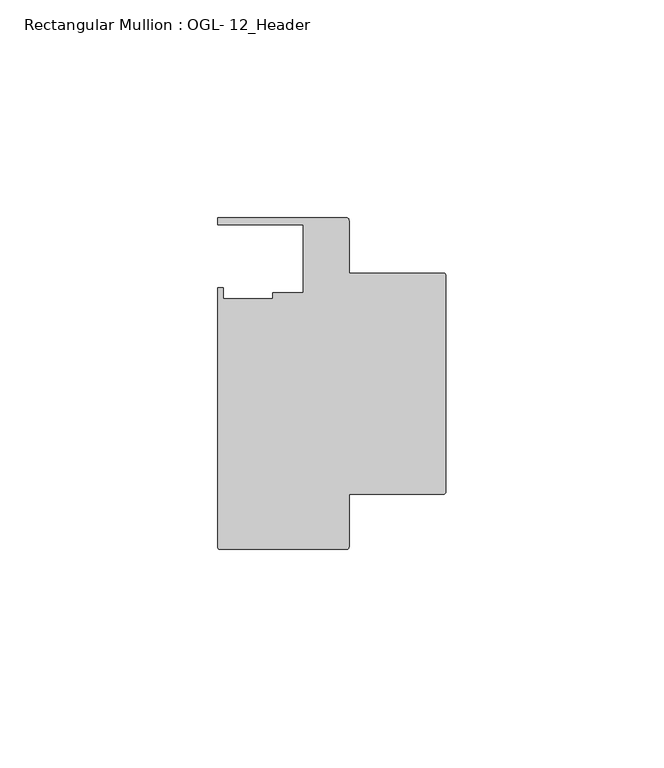
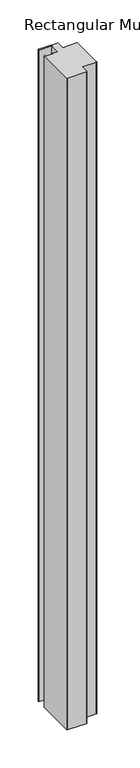
"""IFC4 building model written with IfcOpenShell, lengths in millimetres: member geometry, Rectangular Mullion : OGL- 12_Header."""

from ifc_helpers import new_model, si_unit, point, frame, frame_2d, origin, place, context, project, spatial, polyline, circle_curve, trimmed, segment, composite_curve, outline, extrude, source, transform, mapped, element, save


def rectangular_mullion_ogl_12_header_eac4a193(model_context):
    return source(origin(), model_context, "Body", "SweptSolid", [
        extrude(outline(composite_curve([segment(polyline([(-0.5953125, -25.4), (-22.2332898, -25.4), (-22.2332898, -37.5043667)]), True, "CONTINUOUS"), segment(trimmed(circle_curve(frame_2d((-22.8286023, -37.5043667)), 0.5953125), [point((-22.2332898, -37.5043667))], [point((-22.8286023, -38.0996792))], False, "CARTESIAN"), True, "CONTINUOUS"), segment(polyline([(-22.8286023, -38.0996792), (-51.7968699, -38.0996792)]), True, "CONTINUOUS"), segment(trimmed(circle_curve(frame_2d((-51.7968699, -37.5043667)), 0.5953125), [point((-51.7968699, -38.0996792))], [point((-52.3921824, -37.5043667))], False, "CARTESIAN"), True, "CONTINUOUS"), segment(polyline([(-52.3921824, -37.5043667), (-52.3921824, 21.9710976), (-51.1362531, 21.9710976), (-51.1362531, 19.4824275), (-39.7567771, 19.4824275), (-39.7567771, 20.8257348), (-32.730302, 20.8257348), (-32.730302, 36.512516), (-52.3830881, 36.512516), (-52.3830881, 38.100016), (-22.8763468, 38.100016)]), True, "CONTINUOUS"), segment(trimmed(circle_curve(frame_2d((-22.8763468, 37.456959)), 0.643057), [point((-22.8763468, 38.100016))], [point((-22.2332898, 37.456959))], False, "CARTESIAN"), True, "CONTINUOUS"), segment(polyline([(-22.2332898, 37.456959), (-22.2332898, 25.4), (-0.5953125, 25.4)]), True, "CONTINUOUS"), segment(trimmed(circle_curve(frame_2d((-0.5953125, 24.8046875)), 0.5953125), [point((-0.5953125, 25.4))], [point((0.0, 24.8046875))], False, "CARTESIAN"), True, "CONTINUOUS"), segment(polyline([(0.0, 24.8046875), (0.0, -24.8046875)]), True, "CONTINUOUS"), segment(trimmed(circle_curve(frame_2d((-0.5953125, -24.8046875)), 0.5953125), [point((0.0, -24.8046875))], [point((-0.5953125, -25.4))], False, "CARTESIAN"), True, "CONTINUOUS")], self_intersect=False)), frame((0.0, 0.0, -1046.1660402), z_axis=(0.0, 0.0, 1.0), x_axis=(1.0, 0.0, 0.0)), (0.0, 0.0, 1.0), 1046.1660402),
    ])


if __name__ == "__main__":
    model = new_model("IFC4")
    model_context = context("Model", 3, world=origin())
    ifc_project = project(units=[si_unit("LENGTHUNIT", "METRE", prefix="MILLI")], contexts=[model_context])
    site = spatial("IfcSite", under=ifc_project)
    building = spatial("IfcBuilding", under=site)
    placement = place(None, origin())
    rectangular_mullion_ogl_12_header_shape = rectangular_mullion_ogl_12_header_eac4a193(model_context)
    element("IfcMember", 1, ObjectType="Rectangular Mullion : OGL- 12_Header", at=placement, inside=building, context=model_context, shape_type="MappedRepresentation", body=[
        mapped(rectangular_mullion_ogl_12_header_shape, transform((0.0, 0.0, 0.0), x_axis=(1.0, 0.0, 0.0), y_axis=(0.0, 1.0, 0.0), z_axis=(0.0, 0.0, 1.0))),
    ])
    save(model, "model.ifc")
